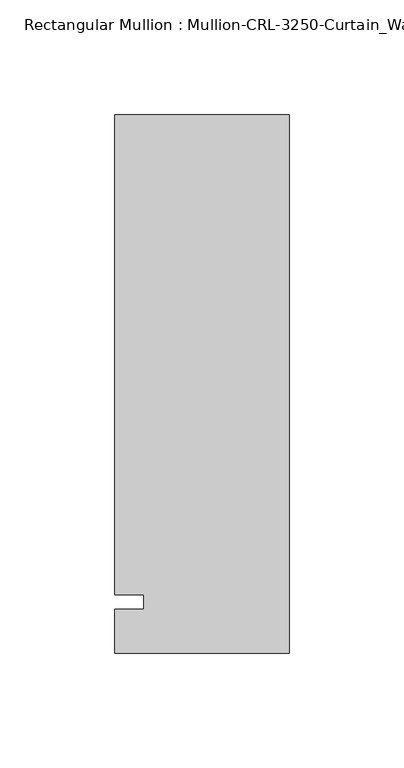
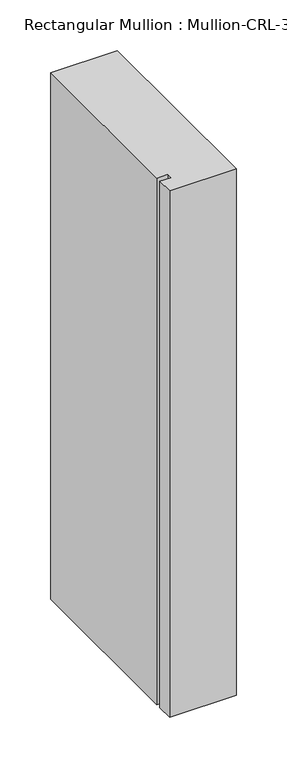
"""IFC4 building model written with IfcOpenShell, lengths in millimetres: member geometry."""

from ifc_helpers import new_model, si_unit, frame, origin, place, context, project, spatial, polyline, outline, extrude, source, transform, mapped, element, save


def member_031208e7(model_context):
    return source(origin(), model_context, "Body", "SweptSolid", [
        extrude(outline(polyline([(-76.199997, -3.175), (-63.499997, -3.175), (-63.499997, 3.175), (-76.199997, 3.175), (-76.199997, 212.725), (0.0, 212.725), (0.0, -22.2254168), (-76.199997, -22.2254168), (-76.199997, -3.175)])), frame((0.0, 0.0, -635.0), z_axis=(0.0, 0.0, 1.0), x_axis=(1.0, 0.0, 0.0)), (0.0, 0.0, 1.0), 635.0),
    ])


if __name__ == "__main__":
    model = new_model("IFC4")
    model_context = context("Model", 3, world=origin())
    ifc_project = project(units=[si_unit("LENGTHUNIT", "METRE", prefix="MILLI")], contexts=[model_context])
    site = spatial("IfcSite", under=ifc_project)
    building = spatial("IfcBuilding", under=site)
    placement = place(None, origin())
    member_shape = member_031208e7(model_context)
    element("IfcMember", 1, ObjectType="Rectangular Mullion : Mullion-CRL-3250-Curtain_Wall-Left_Jamb-8\"", at=placement, inside=building, context=model_context, shape_type="MappedRepresentation", body=[
        mapped(member_shape, transform((0.0, 0.0, 0.0), x_axis=(1.0, 0.0, 0.0), y_axis=(0.0, 1.0, 0.0), z_axis=(0.0, 0.0, 1.0))),
    ])
    save(model, "model.ifc")
